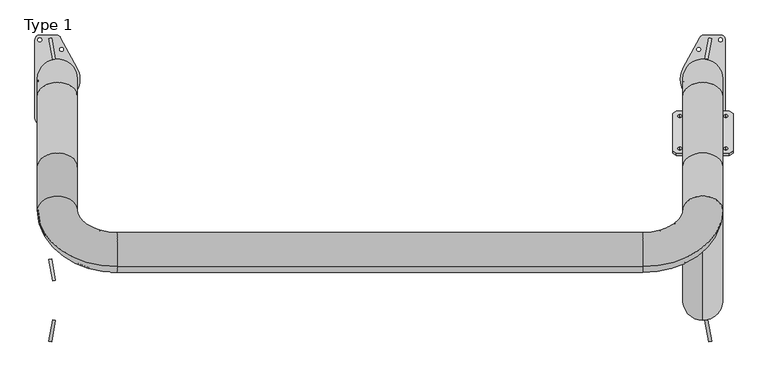
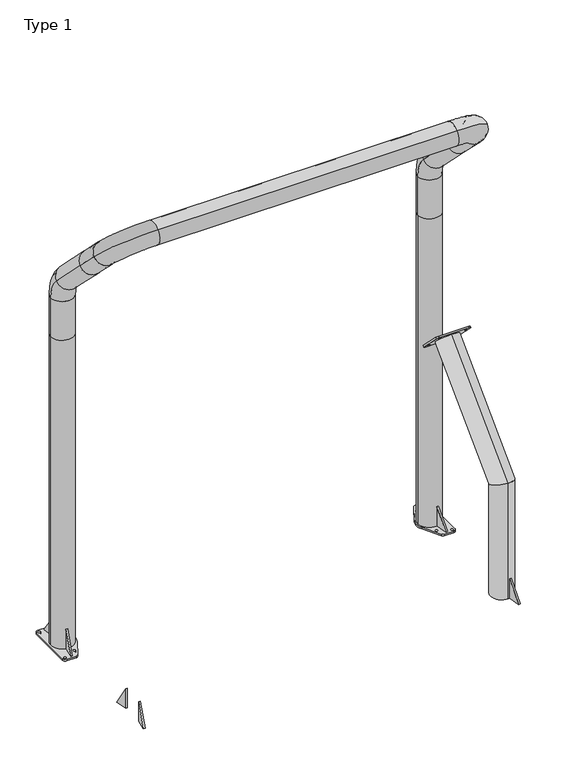
"""IFC4 building model written with IfcOpenShell, lengths in millimetres: proxy geometry, Type 1."""

from ifc_helpers import new_model, si_unit, point, frame, frame_2d, origin, origin_with_axes, place, context, project, spatial, polyline, circle_curve, ellipse_curve, trimmed, segment, composite_curve, outline, extrude, source, transform, mapped, element, save
from ifc_brep_helpers import plane_surface, cylinder_surface, revolved_surface, advanced_brep


def type_1_733e1f84(model_context):
    return source(origin(), model_context, "Body", "SolidModel", [
        advanced_brep(
        [(-82.5, -363.9466094, 3146.4466094), (-82.5, -72.4910717, 2854.9910717), (82.5, -72.4910717, 2854.9910717), (82.5, -363.9466094, 3146.4466094), (-78.5, -363.9466094, 3146.4466094), (-78.5, -72.4910717, 2854.9910717), (78.5, -72.4910717, 2854.9910717), (78.5, -363.9466094, 3146.4466094), (-82.5, 0.0, 2679.9821433), (82.5, 0.0, 2679.9821433), (-78.5, 0.0, 2679.9821433), (78.5, 0.0, 2679.9821433), (-82.5, 0.0, 2382.5), (82.5, 0.0, 2382.5), (-78.5, 0.0, 2382.5), (78.5, 0.0, 2382.5), (-82.5, -542.4910717, 3324.9910717), (82.5, -542.4910717, 3324.9910717), (-78.5, -542.4910717, 3324.9910717), (78.5, -542.4910717, 3324.9910717), (247.5, -775.8363094, 3558.3363094), (247.5, -659.1636906, 3441.6636906), (247.5, -773.0078823, 3555.5078823), (247.5, -661.9921177, 3444.4921177), (2417.5, -775.8363094, 3558.3363094), (2417.5, -659.1636906, 3441.6636906), (2417.5, -773.0078823, 3555.5078823), (2417.5, -661.9921177, 3444.4921177), (2747.5, -542.4910717, 3324.9910717), (2582.5, -542.4910717, 3324.9910717), (2743.5, -542.4910717, 3324.9910717), (2586.5, -542.4910717, 3324.9910717), (2747.5, -363.9466094, 3146.4466094), (2582.5, -363.9466094, 3146.4466094), (2743.5, -363.9466094, 3146.4466094), (2586.5, -363.9466094, 3146.4466094), (2582.5, -72.4910717, 2854.9910717), (2747.5, -72.4910717, 2854.9910717), (2586.5, -72.4910717, 2854.9910717), (2743.5, -72.4910717, 2854.9910717), (2582.5, 0.0, 2679.9821433), (2747.5, 0.0, 2679.9821433), (2586.5, 0.0, 2679.9821433), (2743.5, 0.0, 2679.9821433), (2582.5, 0.0, 2382.5), (2747.5, 0.0, 2382.5), (2586.5, 0.0, 2382.5), (2743.5, 0.0, 2382.5), (82.5, 0.0, 12.0), (-82.5, 0.0, 12.0), (78.5, 0.0, 12.0), (-78.5, 0.0, 12.0), (2747.5, 0.0, 12.0), (2582.5, 0.0, 12.0), (2743.5, 0.0, 12.0), (2586.5, 0.0, 12.0)],
        [
            (0, 1),
            (1, 2, circle_curve(frame((0.0, -72.4910717, 2854.9910717), z_axis=(0.0, -0.7071067811865481, 0.707106781186547), x_axis=(-1.0, 0.0, 0.0)), 82.5)),
            (2, 3),
            (3, 0, circle_curve(frame((0.0, -363.9466094, 3146.4466094), z_axis=(0.0, 0.7071067811865481, -0.707106781186547), x_axis=(-1.0, 0.0, 0.0)), 82.5)),
            (0, 3, circle_curve(frame((0.0, -363.9466094, 3146.4466094), z_axis=(0.0, 0.7071067811865481, -0.707106781186547), x_axis=(-1.0, 0.0, 0.0)), 82.5)),
            (2, 1, circle_curve(frame((0.0, -72.4910717, 2854.9910717), z_axis=(0.0, -0.7071067811865481, 0.707106781186547), x_axis=(-1.0, 0.0, 0.0)), 82.5)),
            (4, 5),
            (5, 6, circle_curve(frame((0.0, -72.4910717, 2854.9910717), z_axis=(0.0, 0.7071067811865481, -0.707106781186547), x_axis=(-1.0, 0.0, 0.0)), 78.5)),
            (6, 7),
            (7, 4, circle_curve(frame((0.0, -363.9466094, 3146.4466094), z_axis=(0.0, -0.7071067811865481, 0.707106781186547), x_axis=(-1.0, 0.0, 0.0)), 78.5)),
            (4, 7, circle_curve(frame((0.0, -363.9466094, 3146.4466094), z_axis=(0.0, -0.7071067811865481, 0.707106781186547), x_axis=(-1.0, 0.0, 0.0)), 78.5)),
            (6, 5, circle_curve(frame((0.0, -72.4910717, 2854.9910717), z_axis=(0.0, 0.7071067811865481, -0.707106781186547), x_axis=(-1.0, 0.0, 0.0)), 78.5)),
            (1, 8, circle_curve(frame((-82.5, -247.5, 2679.9821433), z_axis=(-1.0, 0.0, 0.0), x_axis=(0.0, 0.7071067811865424, 0.7071067811865527)), 247.5)),
            (8, 9, circle_curve(frame((0.0, 0.0, 2679.9821433), z_axis=(0.0, 0.0, 1.0), x_axis=(-1.0, 0.0, 0.0)), 82.5)),
            (9, 2, circle_curve(frame((82.5, -247.5, 2679.9821433), z_axis=(1.0, 0.0, 0.0), x_axis=(0.0, 0.7071067811865424, 0.7071067811865527)), 247.5)),
            (9, 8, circle_curve(frame((0.0, 0.0, 2679.9821433), z_axis=(0.0, 0.0, 1.0), x_axis=(-1.0, 0.0, 0.0)), 82.5)),
            (5, 10, circle_curve(frame((-78.5, -247.5, 2679.9821433), z_axis=(-1.0, 0.0, 0.0), x_axis=(0.0, 0.7071067811865424, 0.7071067811865527)), 247.5)),
            (10, 11, circle_curve(frame((0.0, 0.0, 2679.9821433), z_axis=(0.0, 0.0, -1.0), x_axis=(-1.0, 0.0, 0.0)), 78.5)),
            (11, 6, circle_curve(frame((78.5, -247.5, 2679.9821433), z_axis=(1.0, 0.0, 0.0), x_axis=(0.0, 0.7071067811865424, 0.7071067811865527)), 247.5)),
            (11, 10, circle_curve(frame((0.0, 0.0, 2679.9821433), z_axis=(0.0, 0.0, -1.0), x_axis=(-1.0, 0.0, 0.0)), 78.5)),
            (8, 12),
            (12, 13, circle_curve(frame((0.0, 0.0, 2382.5), z_axis=(0.0, 0.0, 1.0), x_axis=(-1.0, 0.0, 0.0)), 82.5)),
            (13, 9),
            (13, 12, circle_curve(frame((0.0, 0.0, 2382.5), z_axis=(0.0, 0.0, 1.0), x_axis=(-1.0, 0.0, 0.0)), 82.5)),
            (10, 14),
            (14, 15, circle_curve(frame((0.0, 0.0, 2382.5), z_axis=(0.0, 0.0, -1.0), x_axis=(-1.0, 0.0, 0.0)), 78.5)),
            (15, 11),
            (15, 14, circle_curve(frame((0.0, 0.0, 2382.5), z_axis=(0.0, 0.0, -1.0), x_axis=(-1.0, 0.0, 0.0)), 78.5)),
            (0, 16),
            (16, 17, circle_curve(frame((0.0, -542.4910717, 3324.9910717), z_axis=(0.0, 0.7071067811865572, -0.7071067811865379), x_axis=(1.0, 0.0, 0.0)), 82.5)),
            (17, 3),
            (17, 16, circle_curve(frame((0.0, -542.4910717, 3324.9910717), z_axis=(0.0, 0.7071067811865572, -0.7071067811865379), x_axis=(1.0, 0.0, 0.0)), 82.5)),
            (4, 18),
            (18, 19, circle_curve(frame((0.0, -542.4910717, 3324.9910717), z_axis=(0.0, -0.7071067811865572, 0.7071067811865379), x_axis=(1.0, 0.0, 0.0)), 78.5)),
            (19, 7),
            (19, 18, circle_curve(frame((0.0, -542.4910717, 3324.9910717), z_axis=(0.0, -0.7071067811865572, 0.7071067811865379), x_axis=(1.0, 0.0, 0.0)), 78.5)),
            (16, 20, circle_curve(frame((247.5, -542.4910717, 3324.9910717), z_axis=(0.0, 0.7071067811865379, 0.7071067811865571), x_axis=(-1.0, 0.0, 0.0)), 330.0)),
            (20, 21, circle_curve(frame((247.5, -717.5, 3500.0), z_axis=(-1.0, 0.0, 0.0), x_axis=(0.0, 0.7071067811865571, -0.7071067811865379)), 82.5)),
            (21, 17, circle_curve(frame((247.5, -542.4910717, 3324.9910717), z_axis=(0.0, -0.7071067811865379, -0.7071067811865571), x_axis=(-1.0, 0.0, 0.0)), 165.0)),
            (21, 20, circle_curve(frame((247.5, -717.5, 3500.0), z_axis=(-1.0, 0.0, 0.0), x_axis=(0.0, 0.7071067811865571, -0.7071067811865379)), 82.5)),
            (18, 22, circle_curve(frame((247.5, -542.4910717, 3324.9910717), z_axis=(0.0, 0.7071067811865379, 0.7071067811865571), x_axis=(-1.0, 0.0, 0.0)), 326.0)),
            (22, 23, circle_curve(frame((247.5, -717.5, 3500.0), z_axis=(1.0, 0.0, 0.0), x_axis=(0.0, 0.7071067811865571, -0.7071067811865379)), 78.5)),
            (23, 19, circle_curve(frame((247.5, -542.4910717, 3324.9910717), z_axis=(0.0, -0.7071067811865379, -0.7071067811865571), x_axis=(-1.0, 0.0, 0.0)), 169.0)),
            (23, 22, circle_curve(frame((247.5, -717.5, 3500.0), z_axis=(1.0, 0.0, 0.0), x_axis=(0.0, 0.7071067811865571, -0.7071067811865379)), 78.5)),
            (20, 24),
            (24, 25, circle_curve(frame((2417.5, -717.5, 3500.0), z_axis=(-1.0, 0.0, 0.0), x_axis=(0.0, 0.7071067811865571, -0.7071067811865379)), 82.5)),
            (25, 21),
            (25, 24, circle_curve(frame((2417.5, -717.5, 3500.0), z_axis=(-1.0, 0.0, 0.0), x_axis=(0.0, 0.7071067811865571, -0.7071067811865379)), 82.5)),
            (22, 26),
            (26, 27, circle_curve(frame((2417.5, -717.5, 3500.0), z_axis=(1.0, 0.0, 0.0), x_axis=(0.0, 0.7071067811865571, -0.7071067811865379)), 78.5)),
            (27, 23),
            (27, 26, circle_curve(frame((2417.5, -717.5, 3500.0), z_axis=(1.0, 0.0, 0.0), x_axis=(0.0, 0.7071067811865571, -0.7071067811865379)), 78.5)),
            (24, 28, circle_curve(frame((2417.5, -542.4910717, 3324.9910717), z_axis=(0.0, 0.7071067811865379, 0.7071067811865571), x_axis=(0.0, -0.7071067811865571, 0.7071067811865379)), 330.0)),
            (28, 29, circle_curve(frame((2665.0, -542.4910717, 3324.9910717), z_axis=(0.0, -0.707106781186557, 0.707106781186538), x_axis=(-1.0, 0.0, 0.0)), 82.5)),
            (29, 25, circle_curve(frame((2417.5, -542.4910717, 3324.9910717), z_axis=(0.0, -0.7071067811865379, -0.7071067811865571), x_axis=(0.0, -0.7071067811865571, 0.7071067811865379)), 165.0)),
            (29, 28, circle_curve(frame((2665.0, -542.4910717, 3324.9910717), z_axis=(0.0, -0.707106781186557, 0.707106781186538), x_axis=(-1.0, 0.0, 0.0)), 82.5)),
            (26, 30, circle_curve(frame((2417.5, -542.4910717, 3324.9910717), z_axis=(0.0, 0.7071067811865379, 0.7071067811865571), x_axis=(0.0, -0.7071067811865571, 0.7071067811865379)), 326.0)),
            (30, 31, circle_curve(frame((2665.0, -542.4910717, 3324.9910717), z_axis=(0.0, 0.707106781186557, -0.707106781186538), x_axis=(-1.0, 0.0, 0.0)), 78.5)),
            (31, 27, circle_curve(frame((2417.5, -542.4910717, 3324.9910717), z_axis=(0.0, -0.7071067811865379, -0.7071067811865571), x_axis=(0.0, -0.7071067811865571, 0.7071067811865379)), 169.0)),
            (31, 30, circle_curve(frame((2665.0, -542.4910717, 3324.9910717), z_axis=(0.0, 0.707106781186557, -0.707106781186538), x_axis=(-1.0, 0.0, 0.0)), 78.5)),
            (28, 32),
            (32, 33, circle_curve(frame((2665.0, -363.9466094, 3146.4466094), z_axis=(0.0, -0.707106781186557, 0.707106781186538), x_axis=(-1.0, 0.0, 0.0)), 82.5)),
            (33, 29),
            (33, 32, circle_curve(frame((2665.0, -363.9466094, 3146.4466094), z_axis=(0.0, -0.707106781186557, 0.707106781186538), x_axis=(-1.0, 0.0, 0.0)), 82.5)),
            (30, 34),
            (34, 35, circle_curve(frame((2665.0, -363.9466094, 3146.4466094), z_axis=(0.0, 0.707106781186557, -0.707106781186538), x_axis=(-1.0, 0.0, 0.0)), 78.5)),
            (35, 31),
            (35, 34, circle_curve(frame((2665.0, -363.9466094, 3146.4466094), z_axis=(0.0, 0.707106781186557, -0.707106781186538), x_axis=(-1.0, 0.0, 0.0)), 78.5)),
            (33, 36),
            (36, 37, circle_curve(frame((2665.0, -72.4910717, 2854.9910717), z_axis=(0.0, -0.7071067811865481, 0.707106781186547), x_axis=(1.0, 0.0, 0.0)), 82.5)),
            (37, 32),
            (37, 36, circle_curve(frame((2665.0, -72.4910717, 2854.9910717), z_axis=(0.0, -0.7071067811865481, 0.707106781186547), x_axis=(1.0, 0.0, 0.0)), 82.5)),
            (35, 38),
            (38, 39, circle_curve(frame((2665.0, -72.4910717, 2854.9910717), z_axis=(0.0, 0.7071067811865481, -0.707106781186547), x_axis=(1.0, 0.0, 0.0)), 78.5)),
            (39, 34),
            (39, 38, circle_curve(frame((2665.0, -72.4910717, 2854.9910717), z_axis=(0.0, 0.7071067811865481, -0.707106781186547), x_axis=(1.0, 0.0, 0.0)), 78.5)),
            (36, 40, circle_curve(frame((2582.5, -247.5, 2679.9821433), z_axis=(-1.0, 0.0, 0.0), x_axis=(0.0, 0.7071067811865424, 0.7071067811865527)), 247.5)),
            (40, 41, circle_curve(frame((2665.0, 0.0, 2679.9821433), z_axis=(0.0, 0.0, 1.0), x_axis=(1.0, 0.0, 0.0)), 82.5)),
            (41, 37, circle_curve(frame((2747.5, -247.5, 2679.9821433), z_axis=(1.0, 0.0, 0.0), x_axis=(0.0, 0.7071067811865424, 0.7071067811865527)), 247.5)),
            (41, 40, circle_curve(frame((2665.0, 0.0, 2679.9821433), z_axis=(0.0, 0.0, 1.0), x_axis=(1.0, 0.0, 0.0)), 82.5)),
            (38, 42, circle_curve(frame((2586.5, -247.5, 2679.9821433), z_axis=(-1.0, 0.0, 0.0), x_axis=(0.0, 0.7071067811865424, 0.7071067811865527)), 247.5)),
            (42, 43, circle_curve(frame((2665.0, 0.0, 2679.9821433), z_axis=(0.0, 0.0, -1.0), x_axis=(1.0, 0.0, 0.0)), 78.5)),
            (43, 39, circle_curve(frame((2743.5, -247.5, 2679.9821433), z_axis=(1.0, 0.0, 0.0), x_axis=(0.0, 0.7071067811865424, 0.7071067811865527)), 247.5)),
            (43, 42, circle_curve(frame((2665.0, 0.0, 2679.9821433), z_axis=(0.0, 0.0, -1.0), x_axis=(1.0, 0.0, 0.0)), 78.5)),
            (40, 44),
            (44, 45, circle_curve(frame((2665.0, 0.0, 2382.5), z_axis=(0.0, 0.0, 1.0), x_axis=(1.0, 0.0, 0.0)), 82.5)),
            (45, 41),
            (45, 44, circle_curve(frame((2665.0, 0.0, 2382.5), z_axis=(0.0, 0.0, 1.0), x_axis=(1.0, 0.0, 0.0)), 82.5)),
            (42, 46),
            (46, 47, circle_curve(frame((2665.0, 0.0, 2382.5), z_axis=(0.0, 0.0, -1.0), x_axis=(1.0, 0.0, 0.0)), 78.5)),
            (47, 43),
            (47, 46, circle_curve(frame((2665.0, 0.0, 2382.5), z_axis=(0.0, 0.0, -1.0), x_axis=(1.0, 0.0, 0.0)), 78.5)),
            (48, 49, circle_curve(frame((0.0, 0.0, 12.0), z_axis=(0.0, 0.0, -1.0), x_axis=(-1.0, 0.0, 0.0)), 82.5)),
            (49, 48, circle_curve(frame((0.0, 0.0, 12.0), z_axis=(0.0, 0.0, -1.0), x_axis=(-1.0, 0.0, 0.0)), 82.5)),
            (50, 51, circle_curve(frame((0.0, 0.0, 12.0), z_axis=(0.0, 0.0, 1.0), x_axis=(-1.0, 0.0, 0.0)), 78.5)),
            (51, 50, circle_curve(frame((0.0, 0.0, 12.0), z_axis=(0.0, 0.0, 1.0), x_axis=(-1.0, 0.0, 0.0)), 78.5)),
            (52, 53, circle_curve(frame((2665.0, 0.0, 12.0), z_axis=(0.0, 0.0, -1.0), x_axis=(-1.0, 0.0, 0.0)), 82.5)),
            (53, 52, circle_curve(frame((2665.0, 0.0, 12.0), z_axis=(0.0, 0.0, -1.0), x_axis=(-1.0, 0.0, 0.0)), 82.5)),
            (54, 55, circle_curve(frame((2665.0, 0.0, 12.0), z_axis=(0.0, 0.0, 1.0), x_axis=(-1.0, 0.0, 0.0)), 78.5)),
            (55, 54, circle_curve(frame((2665.0, 0.0, 12.0), z_axis=(0.0, 0.0, 1.0), x_axis=(-1.0, 0.0, 0.0)), 78.5)),
            (49, 12),
            (13, 48),
            (53, 44),
            (45, 52),
            (51, 14),
            (15, 50),
            (55, 46),
            (47, 54),
        ],
        [
            cylinder_surface(frame((0.0, -363.9466094, 3146.4466094), z_axis=(0.0, -0.7071067811865481, 0.707106781186547), x_axis=(-1.0, 0.0, 0.0)), 82.5),
            revolved_surface(polyline([(-78.5, -72.49107169999962, 2854.9910717000002), (-78.5, -363.9466094, 3146.4466094)]), (0.0, -363.9466094, 3146.4466094), (0.0, 0.7071067811865481, -0.707106781186547)),
            revolved_surface(trimmed(ellipse_curve(frame((0.0, -72.4910717, 2854.9910717), z_axis=(0.0, -0.7071067811865526, 0.7071067811865425), x_axis=(-1.0, 0.0, 0.0)), 82.5, 82.5), [point((-82.5, -72.4910717, 2854.9910717))], [point((82.5, -72.4910717, 2854.9910717))], True, "CARTESIAN"), (0.0, -247.5, 2679.9821433), (-1.0, 0.0, 0.0)),
            revolved_surface(trimmed(ellipse_curve(frame((0.0, -72.4910717, 2854.9910717), z_axis=(0.0, -0.7071067811865526, 0.7071067811865425), x_axis=(-1.0, 0.0, 0.0)), 82.5, 82.5), [point((82.5, -72.4910717, 2854.9910717))], [point((-82.5, -72.4910717, 2854.9910717))], True, "CARTESIAN"), (0.0, -247.5, 2679.9821433), (-1.0, 0.0, 0.0)),
            revolved_surface(trimmed(ellipse_curve(frame((0.0, -72.4910717, 2854.9910717), z_axis=(0.0, 0.7071067811865526, -0.7071067811865425), x_axis=(-1.0, 0.0, 0.0)), 78.5, 78.5), [point((-78.5, -72.4910717, 2854.9910717))], [point((78.5, -72.4910717, 2854.9910717))], True, "CARTESIAN"), (0.0, -247.5, 2679.9821433), (-1.0, 0.0, 0.0)),
            revolved_surface(trimmed(ellipse_curve(frame((0.0, -72.4910717, 2854.9910717), z_axis=(0.0, 0.7071067811865526, -0.7071067811865425), x_axis=(-1.0, 0.0, 0.0)), 78.5, 78.5), [point((78.5, -72.4910717, 2854.9910717))], [point((-78.5, -72.4910717, 2854.9910717))], True, "CARTESIAN"), (0.0, -247.5, 2679.9821433), (-1.0, 0.0, 0.0)),
            cylinder_surface(frame((0.0, 0.0, 2679.9821433), z_axis=(0.0, 0.0, 1.0), x_axis=(-1.0, 0.0, 0.0)), 82.5),
            revolved_surface(polyline([(-78.5, 0.0, 2382.5), (-78.5, 0.0, 2679.9821433)]), (0.0, 0.0, 2679.9821433), (0.0, 0.0, -1.0)),
            cylinder_surface(frame((0.0, -363.9466094, 3146.4466094), z_axis=(0.0, 0.7071067811865572, -0.7071067811865379), x_axis=(1.0, 0.0, 0.0)), 82.5),
            revolved_surface(polyline([(78.5, -542.4910717000024, 3324.9910716999975), (78.5, -363.94660939999926, 3146.446609399999)]), (0.0, -363.9466094, 3146.4466094), (0.0, -0.7071067811865572, 0.7071067811865379)),
            revolved_surface(trimmed(ellipse_curve(frame((0.0, -542.4910717, 3324.9910717), z_axis=(0.0, 0.7071067811865572, -0.7071067811865378), x_axis=(1.0, 0.0, 0.0)), 82.5, 82.5), [point((-82.5, -542.4910717, 3324.9910717))], [point((82.5, -542.4910717, 3324.9910717))], True, "CARTESIAN"), (247.5, -542.4910717, 3324.9910717), (0.0, 0.7071067811865379, 0.7071067811865571)),
            revolved_surface(trimmed(ellipse_curve(frame((0.0, -542.4910717, 3324.9910717), z_axis=(0.0, 0.7071067811865572, -0.7071067811865378), x_axis=(1.0, 0.0, 0.0)), 82.5, 82.5), [point((82.5, -542.4910717, 3324.9910717))], [point((-82.5, -542.4910717, 3324.9910717))], True, "CARTESIAN"), (247.5, -542.4910717, 3324.9910717), (0.0, 0.7071067811865379, 0.7071067811865571)),
            revolved_surface(trimmed(ellipse_curve(frame((0.0, -542.4910717, 3324.9910717), z_axis=(0.0, -0.7071067811865572, 0.7071067811865378), x_axis=(1.0, 0.0, 0.0)), 78.5, 78.5), [point((-78.5, -542.4910717, 3324.9910717))], [point((78.5, -542.4910717, 3324.9910717))], True, "CARTESIAN"), (247.5, -542.4910717, 3324.9910717), (0.0, 0.7071067811865379, 0.7071067811865571)),
            revolved_surface(trimmed(ellipse_curve(frame((0.0, -542.4910717, 3324.9910717), z_axis=(0.0, -0.7071067811865572, 0.7071067811865378), x_axis=(1.0, 0.0, 0.0)), 78.5, 78.5), [point((78.5, -542.4910717, 3324.9910717))], [point((-78.5, -542.4910717, 3324.9910717))], True, "CARTESIAN"), (247.5, -542.4910717, 3324.9910717), (0.0, 0.7071067811865379, 0.7071067811865571)),
            cylinder_surface(frame((247.5, -717.5, 3500.0), z_axis=(-1.0, 0.0, 0.0), x_axis=(0.0, 0.7071067811865571, -0.7071067811865379)), 82.5),
            revolved_surface(polyline([(2417.5, -661.9921176768553, 3444.4921176768567), (247.5, -661.9921176768553, 3444.4921176768567)]), (247.5, -717.5, 3500.0), (1.0, 0.0, 0.0)),
            revolved_surface(trimmed(ellipse_curve(frame((2417.5, -717.5, 3500.0), z_axis=(-1.0, 0.0, 0.0), x_axis=(0.0, 0.7071067811865571, -0.7071067811865379)), 82.5, 82.5), [point((2417.5, -775.8363094, 3558.3363094))], [point((2417.5, -659.1636906, 3441.6636906))], True, "CARTESIAN"), (2417.5, -542.4910717, 3324.9910717), (0.0, 0.7071067811865379, 0.7071067811865571)),
            revolved_surface(trimmed(ellipse_curve(frame((2417.5, -717.5, 3500.0), z_axis=(-1.0, 0.0, 0.0), x_axis=(0.0, 0.7071067811865571, -0.7071067811865379)), 82.5, 82.5), [point((2417.5, -659.1636906, 3441.6636906))], [point((2417.5, -775.8363094, 3558.3363094))], True, "CARTESIAN"), (2417.5, -542.4910717, 3324.9910717), (0.0, 0.7071067811865379, 0.7071067811865571)),
            revolved_surface(trimmed(ellipse_curve(frame((2417.5, -717.5, 3500.0), z_axis=(1.0, 0.0, 0.0), x_axis=(0.0, 0.7071067811865571, -0.7071067811865379)), 78.5, 78.5), [point((2417.5, -773.0078823, 3555.5078823))], [point((2417.5, -661.9921177, 3444.4921177))], True, "CARTESIAN"), (2417.5, -542.4910717, 3324.9910717), (0.0, 0.7071067811865379, 0.7071067811865571)),
            revolved_surface(trimmed(ellipse_curve(frame((2417.5, -717.5, 3500.0), z_axis=(1.0, 0.0, 0.0), x_axis=(0.0, 0.7071067811865571, -0.7071067811865379)), 78.5, 78.5), [point((2417.5, -661.9921177, 3444.4921177))], [point((2417.5, -773.0078823, 3555.5078823))], True, "CARTESIAN"), (2417.5, -542.4910717, 3324.9910717), (0.0, 0.7071067811865379, 0.7071067811865571)),
            cylinder_surface(frame((2665.0, -542.4910717, 3324.9910717), z_axis=(0.0, -0.707106781186557, 0.707106781186538), x_axis=(-1.0, 0.0, 0.0)), 82.5),
            revolved_surface(polyline([(2586.5, -363.94660939999767, 3146.446609400002), (2586.5, -542.4910717, 3324.9910717)]), (2665.0, -542.4910717, 3324.9910717), (0.0, 0.707106781186557, -0.707106781186538)),
            cylinder_surface(frame((2665.0, -363.9466094, 3146.4466094), z_axis=(0.0, -0.7071067811865481, 0.707106781186547), x_axis=(1.0, 0.0, 0.0)), 82.5),
            revolved_surface(polyline([(2743.5, -72.49107169999962, 2854.9910717000002), (2743.5, -363.9466094000007, 3146.446609400001)]), (2665.0, -363.9466094, 3146.4466094), (0.0, 0.7071067811865481, -0.707106781186547)),
            revolved_surface(trimmed(ellipse_curve(frame((2665.0, -72.4910717, 2854.9910717), z_axis=(0.0, -0.7071067811865526, 0.7071067811865425), x_axis=(1.0, 0.0, 0.0)), 82.5, 82.5), [point((2582.5, -72.4910717, 2854.9910717))], [point((2747.5, -72.4910717, 2854.9910717))], True, "CARTESIAN"), (2665.0, -247.5, 2679.9821433), (-1.0, 0.0, 0.0)),
            revolved_surface(trimmed(ellipse_curve(frame((2665.0, -72.4910717, 2854.9910717), z_axis=(0.0, -0.7071067811865526, 0.7071067811865425), x_axis=(1.0, 0.0, 0.0)), 82.5, 82.5), [point((2747.5, -72.4910717, 2854.9910717))], [point((2582.5, -72.4910717, 2854.9910717))], True, "CARTESIAN"), (2665.0, -247.5, 2679.9821433), (-1.0, 0.0, 0.0)),
            revolved_surface(trimmed(ellipse_curve(frame((2665.0, -72.4910717, 2854.9910717), z_axis=(0.0, 0.7071067811865526, -0.7071067811865425), x_axis=(1.0, 0.0, 0.0)), 78.5, 78.5), [point((2586.5, -72.4910717, 2854.9910717))], [point((2743.5, -72.4910717, 2854.9910717))], True, "CARTESIAN"), (2665.0, -247.5, 2679.9821433), (-1.0, 0.0, 0.0)),
            revolved_surface(trimmed(ellipse_curve(frame((2665.0, -72.4910717, 2854.9910717), z_axis=(0.0, 0.7071067811865526, -0.7071067811865425), x_axis=(1.0, 0.0, 0.0)), 78.5, 78.5), [point((2743.5, -72.4910717, 2854.9910717))], [point((2586.5, -72.4910717, 2854.9910717))], True, "CARTESIAN"), (2665.0, -247.5, 2679.9821433), (-1.0, 0.0, 0.0)),
            cylinder_surface(frame((2665.0, 0.0, 2679.9821433), z_axis=(0.0, 0.0, 1.0), x_axis=(1.0, 0.0, 0.0)), 82.5),
            revolved_surface(polyline([(2743.5, 0.0, 2382.5), (2743.5, 0.0, 2679.9821433)]), (2665.0, 0.0, 2679.9821433), (0.0, 0.0, -1.0)),
            plane_surface(frame((-82.5, 0.0, 12.0), z_axis=(0.0, 0.0, -1.0), x_axis=(0.0, 1.0, 0.0))),
            cylinder_surface(frame((0.0, 0.0, 12.0), z_axis=(0.0, 0.0, 1.0), x_axis=(-1.0, 0.0, 0.0)), 82.5),
            cylinder_surface(frame((2665.0, 0.0, 12.0), z_axis=(0.0, 0.0, 1.0), x_axis=(-1.0, 0.0, 0.0)), 82.5),
            revolved_surface(polyline([(-78.5, 0.0, 12.0), (-78.5, 0.0, 2382.5)]), (0.0, 0.0, 12.0), (0.0, 0.0, -1.0)),
            revolved_surface(polyline([(2586.5, 0.0, 12.0), (2586.5, 0.0, 2382.5)]), (2665.0, 0.0, 12.0), (0.0, 0.0, -1.0)),
        ],
        [
            (0, [[1, 2, 3, 4]]),
            (0, [[-1, 5, -3, 6]]),
            (1, [[7, 8, 9, 10]]),
            (1, [[-7, 11, -9, 12]]),
            (2, [[-2, 13, 14, 15]]),
            (3, [[-6, -15, 16, -13]]),
            (4, [[-8, 17, 18, 19]]),
            (5, [[-12, -19, 20, -17]]),
            (6, [[-14, 21, 22, 23]]),
            (6, [[-16, -23, 24, -21]]),
            (7, [[-18, 25, 26, 27]]),
            (7, [[-20, -27, 28, -25]]),
            (8, [[29, 30, 31, -5]]),
            (8, [[-29, -4, -31, 32]]),
            (9, [[33, 34, 35, -11]]),
            (9, [[-33, -10, -35, 36]]),
            (10, [[-30, 37, 38, 39]]),
            (11, [[-32, -39, 40, -37]]),
            (12, [[-34, 41, 42, 43]]),
            (13, [[-36, -43, 44, -41]]),
            (14, [[-38, 45, 46, 47]]),
            (14, [[-40, -47, 48, -45]]),
            (15, [[-42, 49, 50, 51]]),
            (15, [[-44, -51, 52, -49]]),
            (16, [[-46, 53, 54, 55]]),
            (17, [[-48, -55, 56, -53]]),
            (18, [[-50, 57, 58, 59]]),
            (19, [[-52, -59, 60, -57]]),
            (20, [[-54, 61, 62, 63]]),
            (20, [[-56, -63, 64, -61]]),
            (21, [[-58, 65, 66, 67]]),
            (21, [[-60, -67, 68, -65]]),
            (22, [[69, 70, 71, -64]]),
            (22, [[-69, -62, -71, 72]]),
            (23, [[73, 74, 75, -68]]),
            (23, [[-73, -66, -75, 76]]),
            (24, [[-70, 77, 78, 79]]),
            (25, [[-72, -79, 80, -77]]),
            (26, [[-74, 81, 82, 83]]),
            (27, [[-76, -83, 84, -81]]),
            (28, [[-78, 85, 86, 87]]),
            (28, [[-80, -87, 88, -85]]),
            (29, [[-82, 89, 90, 91]]),
            (29, [[-84, -91, 92, -89]]),
            (30, [[93, 94], [95, 96]]),
            (30, [[97, 98], [99, 100]]),
            (31, [[-94, 101, -24, 102]]),
            (31, [[-93, -102, -22, -101]]),
            (32, [[-98, 103, -88, 104]]),
            (32, [[-97, -104, -86, -103]]),
            (33, [[-96, 105, -28, 106]]),
            (33, [[-95, -106, -26, -105]]),
            (34, [[-100, 107, -92, 108]]),
            (34, [[-99, -108, -90, -107]]),
        ],
    ),
        extrude(outline(composite_curve([segment(polyline([(2669.9864553, 182.5), (2738.0, 182.5)]), True, "CONTINUOUS"), segment(trimmed(circle_curve(frame_2d((2738.0, 162.5)), 20.0), [point((2738.0, 182.5))], [point((2758.0, 162.5))], False, "CARTESIAN"), True, "CONTINUOUS"), segment(polyline([(2758.0, 162.5), (2758.0, -162.5)]), True, "CONTINUOUS"), segment(trimmed(circle_curve(frame_2d((2738.0, -162.5)), 20.0), [point((2758.0, -162.5))], [point((2738.0, -182.5))], False, "CARTESIAN"), True, "CONTINUOUS"), segment(polyline([(2738.0, -182.5), (2669.9347584, -182.5)]), True, "CONTINUOUS"), segment(trimmed(circle_curve(frame_2d((2669.9347584, -162.5)), 20.0), [point((2669.9347584, -182.5))], [point((2652.3436055, -172.0158468))], False, "CARTESIAN"), True, "CONTINUOUS"), segment(polyline([(2652.3436055, -172.0158468), (2584.6472441, -46.8712248)]), True, "CONTINUOUS"), segment(trimmed(circle_curve(frame_2d((2665.0, -0.0477839)), 93.0), [point((2584.6472441, -46.8712248))], [point((2584.6472441, 46.775657))], False, "CARTESIAN"), True, "CONTINUOUS"), segment(polyline([(2584.6472441, 46.775657), (2652.3953024, 172.0158468)]), True, "CONTINUOUS"), segment(trimmed(circle_curve(frame_2d((2669.9864553, 162.5)), 20.0), [point((2652.3953024, 172.0158468))], [point((2669.9864553, 182.5))], False, "CARTESIAN"), True, "CONTINUOUS")], self_intersect=False), holes=[composite_curve([segment(trimmed(circle_curve(frame_2d((2738.0, 162.5)), 8.0), [point((2730.0, 162.5))], [point((2746.0, 162.5))], True, "CARTESIAN"), True, "CONTINUOUS"), segment(trimmed(circle_curve(frame_2d((2738.0, 162.5)), 8.0), [point((2746.0, 162.5))], [point((2730.0, 162.5))], True, "CARTESIAN"), True, "CONTINUOUS")], self_intersect=False), composite_curve([segment(trimmed(circle_curve(frame_2d((2738.0, -162.5)), 8.0), [point((2730.0, -162.5))], [point((2746.0, -162.5))], True, "CARTESIAN"), True, "CONTINUOUS"), segment(trimmed(circle_curve(frame_2d((2738.0, -162.5)), 8.0), [point((2746.0, -162.5))], [point((2730.0, -162.5))], True, "CARTESIAN"), True, "CONTINUOUS")], self_intersect=False), composite_curve([segment(trimmed(circle_curve(frame_2d((2648.0, 123.0)), 8.0), [point((2640.0, 123.0))], [point((2656.0, 123.0))], True, "CARTESIAN"), True, "CONTINUOUS"), segment(trimmed(circle_curve(frame_2d((2648.0, 123.0)), 8.0), [point((2656.0, 123.0))], [point((2640.0, 123.0))], True, "CARTESIAN"), True, "CONTINUOUS")], self_intersect=False), composite_curve([segment(trimmed(circle_curve(frame_2d((2648.0, -123.0)), 8.0), [point((2640.0, -123.0))], [point((2656.0, -123.0))], True, "CARTESIAN"), True, "CONTINUOUS"), segment(trimmed(circle_curve(frame_2d((2648.0, -123.0)), 8.0), [point((2656.0, -123.0))], [point((2640.0, -123.0))], True, "CARTESIAN"), True, "CONTINUOUS")], self_intersect=False)]), origin_with_axes(), (0.0, 0.0, 1.0), 12.0),
        extrude(outline(composite_curve([segment(trimmed(circle_curve(frame_2d((-4.9864553, 162.5)), 20.0), [point((-4.9864553, 182.5))], [point((12.6046976, 172.0158468))], False, "CARTESIAN"), True, "CONTINUOUS"), segment(polyline([(12.6046976, 172.0158468), (80.3527559, 46.775657)]), True, "CONTINUOUS"), segment(trimmed(circle_curve(frame_2d((0.0, -0.0477839)), 93.0), [point((80.3527559, 46.775657))], [point((80.3527559, -46.8712248))], False, "CARTESIAN"), True, "CONTINUOUS"), segment(polyline([(80.3527559, -46.8712248), (12.6563945, -172.0158468)]), True, "CONTINUOUS"), segment(trimmed(circle_curve(frame_2d((-4.9347584, -162.5)), 20.0), [point((12.6563945, -172.0158468))], [point((-4.9347584, -182.5))], False, "CARTESIAN"), True, "CONTINUOUS"), segment(polyline([(-4.9347584, -182.5), (-73.0, -182.5)]), True, "CONTINUOUS"), segment(trimmed(circle_curve(frame_2d((-73.0, -162.5)), 20.0), [point((-73.0, -182.5))], [point((-93.0, -162.5))], False, "CARTESIAN"), True, "CONTINUOUS"), segment(polyline([(-93.0, -162.5), (-93.0, 162.5)]), True, "CONTINUOUS"), segment(trimmed(circle_curve(frame_2d((-73.0, 162.5)), 20.0), [point((-93.0, 162.5))], [point((-73.0, 182.5))], False, "CARTESIAN"), True, "CONTINUOUS"), segment(polyline([(-73.0, 182.5), (-4.9864553, 182.5)]), True, "CONTINUOUS")], self_intersect=False), holes=[composite_curve([segment(trimmed(circle_curve(frame_2d((17.0, 123.0)), 8.0), [point((9.0, 123.0))], [point((25.0, 123.0))], True, "CARTESIAN"), True, "CONTINUOUS"), segment(trimmed(circle_curve(frame_2d((17.0, 123.0)), 8.0), [point((25.0, 123.0))], [point((9.0, 123.0))], True, "CARTESIAN"), True, "CONTINUOUS")], self_intersect=False), composite_curve([segment(trimmed(circle_curve(frame_2d((17.0, -123.0)), 8.0), [point((9.0, -123.0))], [point((25.0, -123.0))], True, "CARTESIAN"), True, "CONTINUOUS"), segment(trimmed(circle_curve(frame_2d((17.0, -123.0)), 8.0), [point((25.0, -123.0))], [point((9.0, -123.0))], True, "CARTESIAN"), True, "CONTINUOUS")], self_intersect=False), composite_curve([segment(trimmed(circle_curve(frame_2d((-73.0, -162.5)), 8.0), [point((-81.0, -162.5))], [point((-65.0, -162.5))], True, "CARTESIAN"), True, "CONTINUOUS"), segment(trimmed(circle_curve(frame_2d((-73.0, -162.5)), 8.0), [point((-65.0, -162.5))], [point((-81.0, -162.5))], True, "CARTESIAN"), True, "CONTINUOUS")], self_intersect=False), composite_curve([segment(trimmed(circle_curve(frame_2d((-73.0, 162.5)), 8.0), [point((-81.0, 162.5))], [point((-65.0, 162.5))], True, "CARTESIAN"), True, "CONTINUOUS"), segment(trimmed(circle_curve(frame_2d((-73.0, 162.5)), 8.0), [point((-65.0, 162.5))], [point((-81.0, 162.5))], True, "CARTESIAN"), True, "CONTINUOUS")], self_intersect=False)]), origin_with_axes(), (0.0, 0.0, 1.0), 12.0),
        advanced_brep(
        [(2673.4197559, 82.0692251, 162.0), (2685.236419, 79.9796058, 162.0), (2685.2910421, 80.2893885, 162.0), (2673.473349, 82.3731666, 162.0), (2700.9193781, 168.9220863, 12.0), (2685.236419, 79.9796058, 12.0), (2673.4197559, 82.0692251, 12.0), (2689.101685, 171.0058644, 12.0)],
        [
            (0, 1, circle_curve(frame((2665.0, 0.0, 162.0), z_axis=(0.0, 0.0, -1.0), x_axis=(-1.0, 0.0, 0.0)), 82.5)),
            (1, 2),
            (2, 3),
            (3, 0),
            (4, 5),
            (5, 6, circle_curve(frame((2665.0, 0.0, 12.0), z_axis=(0.0, 0.0, 1.0), x_axis=(-1.0, 0.0, 0.0)), 82.5)),
            (6, 7),
            (7, 4),
            (6, 0),
            (3, 7),
            (5, 1),
            (4, 2),
        ],
        [
            plane_surface(frame((2700.9193781, 168.9220863, 162.0), z_axis=(0.0, 0.0, 1.0000000000000002), x_axis=(-0.9848077530122133, 0.17364817766690058, 0.0))),
            plane_surface(frame((2700.9193781, 168.9220863, 12.0), z_axis=(0.0, 0.0, -1.0000000000000002), x_axis=(0.9848077530122133, -0.17364817766690058, 0.0))),
            plane_surface(frame((2689.101685, 171.0058644, 162.0), z_axis=(-0.9848077530122075, 0.1736481776669342, 0.0), x_axis=(0.0, 0.0, -1.0))),
            revolved_surface(polyline([(2582.5, 0.0, 12.0), (2582.5, 0.0, 162.0)]), (2665.0, 0.0, 12.0), (0.0, 0.0, -1.0)),
            plane_surface(frame((2685.236419, 79.9796058, 162.0), z_axis=(0.9848077530122071, -0.17364817766693583, 0.0), x_axis=(0.0, 0.0, -1.0))),
            plane_surface(frame((2689.101685, 171.0058644, 12.0), z_axis=(0.14890208391224347, 0.8444656813948381, 0.5144957554275285), x_axis=(0.9848077530122133, -0.17364817766690058, 0.0))),
        ],
        [
            (0, [[1, 2, 3, 4]]),
            (1, [[5, 6, 7, 8]]),
            (2, [[-7, 9, -4, 10]]),
            (3, [[-1, -9, -6, 11]]),
            (4, [[-5, 12, -2, -11]]),
            (5, [[-3, -12, -8, -10]]),
        ],
    ),
        advanced_brep(
        [(2685.236419, -79.9796058, 162.0), (2673.4197559, -82.0692251, 162.0), (2673.473349, -82.3731666, 162.0), (2685.2910421, -80.2893885, 162.0), (2673.4197559, -82.0692251, 12.0), (2685.236419, -79.9796058, 12.0), (2700.9193781, -168.9220863, 12.0), (2689.101685, -171.0058644, 12.0)],
        [
            (0, 1, circle_curve(frame((2665.0, 0.0, 162.0), z_axis=(0.0, 0.0, -1.0), x_axis=(-1.0, 0.0, 0.0)), 82.5)),
            (1, 2),
            (2, 3),
            (3, 0),
            (4, 5, circle_curve(frame((2665.0, 0.0, 12.0), z_axis=(0.0, 0.0, 1.0), x_axis=(-1.0, 0.0, 0.0)), 82.5)),
            (5, 6),
            (6, 7),
            (7, 4),
            (7, 2),
            (1, 4),
            (5, 0),
            (3, 6),
        ],
        [
            plane_surface(frame((2700.9193781, 168.9220863, 162.0), z_axis=(0.0, 0.0, 1.0000000000000002), x_axis=(-0.9848077530122133, 0.17364817766690058, 0.0))),
            plane_surface(frame((2700.9193781, 168.9220863, 12.0), z_axis=(0.0, 0.0, -1.0000000000000002), x_axis=(0.9848077530122133, -0.17364817766690058, 0.0))),
            plane_surface(frame((2673.4197559, -82.0692251, 162.0), z_axis=(-0.9848077530122078, -0.17364817766693205, 0.0), x_axis=(0.0, 0.0, -1.0))),
            plane_surface(frame((2700.9193781, -168.9220863, 162.0), z_axis=(0.9848077530122088, 0.1736481776669261, 0.0), x_axis=(0.0, 0.0, -1.0))),
            revolved_surface(polyline([(2582.5, 0.0, 12.0), (2582.5, 0.0, 162.0)]), (2665.0, 0.0, 12.0), (0.0, 0.0, -1.0)),
            plane_surface(frame((2700.9193781, -168.9220863, 12.0), z_axis=(0.1489020839123185, -0.8444656813948247, 0.5144957554275288), x_axis=(-0.9848077530121979, -0.1736481776669881, 0.0))),
        ],
        [
            (0, [[1, 2, 3, 4]]),
            (1, [[5, 6, 7, 8]]),
            (2, [[-8, 9, -2, 10]]),
            (3, [[-6, 11, -4, 12]]),
            (4, [[-1, -11, -5, -10]]),
            (5, [[-3, -9, -7, -12]]),
        ],
    ),
        extrude(outline(polyline([(-1593.0072814, 0.0), (-1503.0072813, 0.0), (-1503.0072813, -150.0), (-1593.0072814, 0.0)])), frame((252.5773473, 1397.8846948, 12.0), z_axis=(-0.9848077530122081, 0.1736481776669302, 0.0), x_axis=(0.1736481776669302, 0.9848077530122081, 0.0)), (0.0, 0.0, 1.0), 12.0),
        extrude(outline(polyline([(-5508.8576415, 0.0), (-5358.8576415, 0.0), (-5508.8576415, -89.9999999), (-5508.8576415, 0.0)])), frame((-20.2348212, 80.2047506, 5520.8576415), z_axis=(0.9848077530122084, 0.17364817766692878, 0.0), x_axis=(0.0, 0.0, 1.0)), (0.0, 0.0, 1.0), 12.0),
        advanced_brep(
        [(2700.9193781, -746.0779137, 12.0), (2685.236419, -835.0203942, 12.0), (2673.4197559, -832.9307749, 12.0), (2689.101685, -743.9941356, 12.0), (2673.4197559, -832.9307749, 162.0), (2685.236419, -835.0203942, 162.0)],
        [
            (0, 1),
            (1, 2, circle_curve(frame((2665.0, -915.0, 12.0), z_axis=(0.0, 0.0, 1.0), x_axis=(-1.0, 0.0, 0.0)), 82.5)),
            (2, 3),
            (3, 0),
            (2, 4),
            (4, 3),
            (1, 5),
            (5, 4, ellipse_curve(frame((2665.0, -915.0, 298.6533011), z_axis=(0.1487642733274902, 0.8436841187310145, 0.5158161482373497), x_axis=(0.08957053415256884, 0.5079797419130403, -0.8566993061848391)), 159.9407081, 82.5)),
            (0, 5),
        ],
        [
            plane_surface(frame((2700.9193781, -746.0779137, 12.0), z_axis=(0.0, 0.0, -1.0), x_axis=(0.9848077530122147, -0.17364817766689286, 0.0))),
            plane_surface(frame((2689.101685, -743.9941356, 162.0), z_axis=(-0.9848077530122084, 0.1736481776669286, 0.0), x_axis=(0.0, 0.0, -1.0))),
            revolved_surface(polyline([(2582.5, -915.0, 12.0), (2582.5, -915.0, 435.6743947599819)]), (2665.0, -915.0, 12.0), (0.0, 0.0, -1.0)),
            plane_surface(frame((2685.236419, -835.0203942, 162.0), z_axis=(0.9848077530122081, -0.1736481776669304, 0.0), x_axis=(0.0, 0.0, -1.0))),
            plane_surface(frame((2689.101685, -743.9941356, 12.0), z_axis=(0.1487642733274902, 0.8436841187310145, 0.5158161482373497), x_axis=(0.9848077530122147, -0.17364817766689286, 0.0))),
        ],
        [
            (0, [[1, 2, 3, 4]]),
            (1, [[-3, 5, 6]]),
            (2, [[-2, 7, 8, -5]]),
            (3, [[-1, 9, -7]]),
            (4, [[-4, -6, -8, -9]]),
        ],
    ),
        advanced_brep(
        [(2689.101685, -1086.0058644, 12.0), (2673.4197559, -997.0692251, 12.0), (2685.236419, -994.9796058, 12.0), (2700.9193781, -1083.9220863, 12.0), (2685.236419, -994.9796058, 162.0), (2673.4197559, -997.0692251, 162.0)],
        [
            (0, 1),
            (1, 2, circle_curve(frame((2665.0, -915.0, 12.0), z_axis=(0.0, 0.0, 1.0), x_axis=(-1.0, 0.0, 0.0)), 82.5)),
            (2, 3),
            (3, 0),
            (2, 4),
            (4, 3),
            (1, 5),
            (5, 4, ellipse_curve(frame((2665.0, -915.0, 298.6721279), z_axis=(0.14876687274616762, -0.8436988607664627, 0.5157912852256217), x_axis=(0.0895662167359361, -0.5079552566263192, -0.8567142756399599)), 159.9484178, 82.5)),
            (0, 5),
        ],
        [
            plane_surface(frame((2700.9193781, -746.0779137, 12.0), z_axis=(0.0, 0.0, -1.0), x_axis=(0.9848077530122147, -0.17364817766689286, 0.0))),
            plane_surface(frame((2700.9193781, -1083.9220863, 162.0), z_axis=(0.9848077530122068, 0.17364817766693805, 0.0), x_axis=(0.0, 0.0, -1.0))),
            revolved_surface(polyline([(2582.5, -915.0, 12.0), (2582.5, -915.0, 435.7022207952847)]), (2665.0, -915.0, 12.0), (0.0, 0.0, -1.0)),
            plane_surface(frame((2673.4197559, -997.0692251, 162.0), z_axis=(-0.9848077530122088, -0.1736481776669263, 0.0), x_axis=(0.0, 0.0, -1.0))),
            plane_surface(frame((2700.9193781, -1083.9220863, 12.0), z_axis=(0.14876687274616762, -0.8436988607664627, 0.5157912852256217), x_axis=(-0.9848077530121992, -0.17364817766698037, 0.0))),
        ],
        [
            (0, [[1, 2, 3, 4]]),
            (1, [[-3, 5, 6]]),
            (2, [[-2, 7, 8, -5]]),
            (3, [[-1, 9, -7]]),
            (4, [[-4, -6, -8, -9]]),
        ],
    ),
        extrude(outline(polyline([(0.0, 0.0), (174.9285569, 0.0), (128.6239389, -77.1743633), (0.0, 0.0)])), frame((-8.4171281, -997.2885287, 162.0), z_axis=(-0.9848077530122079, 0.17364817766693183, 0.0), x_axis=(-0.08934125034736166, -0.5066794088369022, -0.8574929257125434)), (0.0, 0.0, 1.0), 12.0),
        extrude(outline(polyline([(-174.9285568, 1e-07), (0.0, 0.0), (-46.304618, -77.1743633), (-174.9285568, 1e-07)])), frame((-35.8631572, -746.1625517, 12.0), z_axis=(0.9848077530122085, 0.17364817766692872, 0.0), x_axis=(-0.08934125034736015, 0.506679408836903, -0.8574929257125431)), (0.0, 0.0, 1.0), 12.0),
        advanced_brep(
        [(2665.0, -832.5, 12.0), (2665.0, -997.5, 12.0), (2665.0, -836.5, 12.0), (2665.0, -993.5, 12.0), (2665.0, -832.5, 831.6547622), (2665.0, -997.5, 900.0), (2665.0, -836.5, 833.3116165), (2665.0, -993.5, 898.3431458), (2665.0, -170.1812409, 1493.9735213), (2665.0, -286.8538598, 1610.6461402), (2665.0, -173.009668, 1496.8019485), (2665.0, -284.0254326, 1607.8177131), (2555.0, -308.421007, 1649.1838503), (2775.0, -308.421007, 1649.1838503), (2790.0, -297.8144053, 1638.5772485), (2790.0, -142.2509134, 1483.0137566), (2775.0, -131.6443117, 1472.4071549), (2555.0, -131.6443117, 1472.4071549), (2540.0, -142.2509134, 1483.0137566), (2540.0, -297.8144053, 1638.5772485), (2570.0, -281.5505589, 1622.3134021), (2570.0, -292.8642674, 1633.6271106), (2570.0, -147.2002705, 1487.9631137), (2570.0, -158.513979, 1499.2768222), (2760.0, -147.2002705, 1487.9631137), (2760.0, -158.513979, 1499.2768222), (2760.0, -281.5505589, 1622.3134021), (2760.0, -292.8642674, 1633.6271106), (2555.0, -316.9062884, 1640.6985689), (2540.0, -306.2996867, 1630.0919672), (2540.0, -150.7361948, 1474.5284753), (2555.0, -140.1295931, 1463.9218736), (2775.0, -140.1295931, 1463.9218736), (2790.0, -150.7361948, 1474.5284753), (2790.0, -306.2996867, 1630.0919672), (2775.0, -316.9062884, 1640.6985689), (2570.0, -290.0358403, 1613.8281208), (2570.0, -301.3495488, 1625.1418293), (2570.0, -155.6855519, 1479.4778323), (2570.0, -166.9992604, 1490.7915408), (2760.0, -155.6855519, 1479.4778323), (2760.0, -166.9992604, 1490.7915408), (2760.0, -290.0358403, 1613.8281208), (2760.0, -301.3495488, 1625.1418293)],
        [
            (0, 1, circle_curve(frame((2665.0, -915.0, 12.0), z_axis=(0.0, 0.0, -1.0), x_axis=(0.0, -1.0, 0.0)), 82.5)),
            (1, 0, circle_curve(frame((2665.0, -915.0, 12.0), z_axis=(0.0, 0.0, -1.0), x_axis=(0.0, -1.0, 0.0)), 82.5)),
            (2, 3, circle_curve(frame((2665.0, -915.0, 12.0), z_axis=(0.0, 0.0, 1.0), x_axis=(0.0, -1.0, 0.0)), 78.5)),
            (3, 2, circle_curve(frame((2665.0, -915.0, 12.0), z_axis=(0.0, 0.0, 1.0), x_axis=(0.0, -1.0, 0.0)), 78.5)),
            (0, 4),
            (4, 5, ellipse_curve(frame((2665.0, -915.0, 865.8273811), z_axis=(0.0, -0.3826834323650909, -0.9238795325112862), x_axis=(0.0, 0.9238795325112862, -0.3826834323650914)), 89.2973565, 82.5)),
            (5, 1),
            (5, 4, ellipse_curve(frame((2665.0, -915.0, 865.8273811), z_axis=(0.0, -0.3826834323650909, -0.9238795325112862), x_axis=(0.0, 0.9238795325112862, -0.3826834323650914)), 89.2973565, 82.5)),
            (2, 6),
            (6, 7, ellipse_curve(frame((2665.0, -915.0, 865.8273811), z_axis=(0.0, 0.3826834323650909, 0.9238795325112862), x_axis=(0.0, -0.9238795325112862, 0.3826834323650914)), 84.9677877, 78.5)),
            (7, 3),
            (7, 6, ellipse_curve(frame((2665.0, -915.0, 865.8273811), z_axis=(0.0, 0.3826834323650909, 0.9238795325112862), x_axis=(0.0, -0.9238795325112862, 0.3826834323650914)), 84.9677877, 78.5)),
            (4, 8),
            (8, 9, circle_curve(frame((2665.0, -228.5175503, 1552.3098308), z_axis=(0.0, -0.7071067811865492, -0.7071067811865458), x_axis=(0.0, -0.7071067811865458, 0.7071067811865492)), 82.5)),
            (9, 5),
            (9, 8, circle_curve(frame((2665.0, -228.5175503, 1552.3098308), z_axis=(0.0, -0.7071067811865492, -0.7071067811865458), x_axis=(0.0, -0.7071067811865458, 0.7071067811865492)), 82.5)),
            (6, 10),
            (10, 11, circle_curve(frame((2665.0, -228.5175503, 1552.3098308), z_axis=(0.0, 0.7071067811865492, 0.7071067811865458), x_axis=(0.0, -0.7071067811865458, 0.7071067811865492)), 78.5)),
            (11, 7),
            (11, 10, circle_curve(frame((2665.0, -228.5175503, 1552.3098308), z_axis=(0.0, 0.7071067811865492, 0.7071067811865458), x_axis=(0.0, -0.7071067811865458, 0.7071067811865492)), 78.5)),
            (12, 13),
            (13, 14),
            (14, 15),
            (15, 16),
            (16, 17),
            (17, 18),
            (18, 19),
            (19, 12),
            (20, 21, circle_curve(frame((2570.0, -287.2074132, 1627.9702564), z_axis=(0.0, -0.7071067811865492, -0.7071067811865458), x_axis=(1.0, 0.0, 0.0)), 8.0)),
            (21, 20, circle_curve(frame((2570.0, -287.2074132, 1627.9702564), z_axis=(0.0, -0.7071067811865492, -0.7071067811865458), x_axis=(1.0, 0.0, 0.0)), 8.0)),
            (22, 23, circle_curve(frame((2570.0, -152.8571247, 1493.619968), z_axis=(0.0, -0.7071067811865492, -0.7071067811865458), x_axis=(1.0, 0.0, 0.0)), 8.0)),
            (23, 22, circle_curve(frame((2570.0, -152.8571247, 1493.619968), z_axis=(0.0, -0.7071067811865492, -0.7071067811865458), x_axis=(1.0, 0.0, 0.0)), 8.0)),
            (24, 25, circle_curve(frame((2760.0, -152.8571247, 1493.619968), z_axis=(0.0, -0.7071067811865492, -0.7071067811865458), x_axis=(1.0, 0.0, 0.0)), 8.0)),
            (25, 24, circle_curve(frame((2760.0, -152.8571247, 1493.619968), z_axis=(0.0, -0.7071067811865492, -0.7071067811865458), x_axis=(1.0, 0.0, 0.0)), 8.0)),
            (26, 27, circle_curve(frame((2760.0, -287.2074132, 1627.9702564), z_axis=(0.0, -0.7071067811865492, -0.7071067811865458), x_axis=(1.0, 0.0, 0.0)), 8.0)),
            (27, 26, circle_curve(frame((2760.0, -287.2074132, 1627.9702564), z_axis=(0.0, -0.7071067811865492, -0.7071067811865458), x_axis=(1.0, 0.0, 0.0)), 8.0)),
            (28, 29),
            (29, 30),
            (30, 31),
            (31, 32),
            (32, 33),
            (33, 34),
            (34, 35),
            (35, 28),
            (36, 37, circle_curve(frame((2570.0, -295.6926945, 1619.484975), z_axis=(0.0, 0.7071067811865492, 0.7071067811865458), x_axis=(1.0, 0.0, 0.0)), 8.0)),
            (37, 36, circle_curve(frame((2570.0, -295.6926945, 1619.484975), z_axis=(0.0, 0.7071067811865492, 0.7071067811865458), x_axis=(1.0, 0.0, 0.0)), 8.0)),
            (38, 39, circle_curve(frame((2570.0, -161.3424061, 1485.1346866), z_axis=(0.0, 0.7071067811865492, 0.7071067811865458), x_axis=(1.0, 0.0, 0.0)), 8.0)),
            (39, 38, circle_curve(frame((2570.0, -161.3424061, 1485.1346866), z_axis=(0.0, 0.7071067811865492, 0.7071067811865458), x_axis=(1.0, 0.0, 0.0)), 8.0)),
            (40, 41, circle_curve(frame((2760.0, -161.3424061, 1485.1346866), z_axis=(0.0, 0.7071067811865492, 0.7071067811865458), x_axis=(1.0, 0.0, 0.0)), 8.0)),
            (41, 40, circle_curve(frame((2760.0, -161.3424061, 1485.1346866), z_axis=(0.0, 0.7071067811865492, 0.7071067811865458), x_axis=(1.0, 0.0, 0.0)), 8.0)),
            (42, 43, circle_curve(frame((2760.0, -295.6926945, 1619.484975), z_axis=(0.0, 0.7071067811865492, 0.7071067811865458), x_axis=(1.0, 0.0, 0.0)), 8.0)),
            (43, 42, circle_curve(frame((2760.0, -295.6926945, 1619.484975), z_axis=(0.0, 0.7071067811865492, 0.7071067811865458), x_axis=(1.0, 0.0, 0.0)), 8.0)),
            (12, 28),
            (35, 13),
            (34, 14),
            (33, 15),
            (32, 16),
            (31, 17),
            (30, 18),
            (29, 19),
            (20, 36),
            (37, 21),
            (22, 38),
            (39, 23),
            (24, 40),
            (41, 25),
            (26, 42),
            (43, 27),
        ],
        [
            plane_surface(frame((2665.0, -915.0, 12.0), z_axis=(0.0, 0.0, -1.0), x_axis=(1.0, 0.0, 0.0))),
            cylinder_surface(frame((2665.0, -915.0, 12.0), z_axis=(0.0, 0.0, -1.0), x_axis=(0.0, -1.0, 0.0)), 82.5),
            revolved_surface(polyline([(2665.0, -993.5, 898.3431458), (2665.0, -993.5, 12.0)]), (2665.0, -915.0, 12.0), (0.0, 0.0, 1.0)),
            cylinder_surface(frame((2665.0, -915.0, 865.8273811), z_axis=(0.0, -0.7071067811865492, -0.7071067811865458), x_axis=(0.0, -0.7071067811865458, 0.7071067811865492)), 82.5),
            revolved_surface(polyline([(2665.0, -284.025432623142, 1607.8177131231425), (2665.0, -993.499999993789, 898.3431457524991)]), (2665.0, -915.0, 865.8273811), (0.0, 0.7071067811865492, 0.7071067811865458)),
            plane_surface(frame((2775.0, -308.421007, 1649.1838503), z_axis=(0.0, 0.7071067811865492, 0.7071067811865458), x_axis=(1.0, 0.0, 0.0))),
            plane_surface(frame((2775.0, -316.9062884, 1640.6985689), z_axis=(0.0, -0.7071067811865492, -0.7071067811865458), x_axis=(-1.0, 0.0, 0.0))),
            plane_surface(frame((2555.0, -308.421007, 1649.1838503), z_axis=(0.0, -0.7071067811865476, 0.7071067811865476), x_axis=(0.0, -0.7071067811865476, -0.7071067811865476))),
            plane_surface(frame((2775.0, -308.421007, 1649.1838503), z_axis=(0.7071067811865673, -0.4999999999999862, 0.4999999999999862), x_axis=(0.0, -0.7071067811865476, -0.7071067811865476))),
            plane_surface(frame((2790.0, -297.8144053, 1638.5772485), z_axis=(1.0, 0.0, 0.0), x_axis=(0.0, -0.7071067811865489, -0.7071067811865461))),
            plane_surface(frame((2790.0, -142.2509134, 1483.0137566), z_axis=(0.70710678118656, 0.4999999999999913, -0.4999999999999913), x_axis=(0.0, -0.7071067811865476, -0.7071067811865476))),
            plane_surface(frame((2775.0, -131.6443117, 1472.4071549), z_axis=(0.0, 0.7071067811865476, -0.7071067811865476), x_axis=(0.0, -0.7071067811865476, -0.7071067811865476))),
            plane_surface(frame((2555.0, -131.6443117, 1472.4071549), z_axis=(-0.7071067811865426, 0.5000000000000036, -0.5000000000000036), x_axis=(0.0, -0.7071067811865476, -0.7071067811865476))),
            plane_surface(frame((2540.0, -142.2509134, 1483.0137566), z_axis=(-1.0, 0.0, 0.0), x_axis=(0.0, -0.7071067811865489, -0.7071067811865461))),
            plane_surface(frame((2540.0, -297.8144053, 1638.5772485), z_axis=(-0.7071067811865583, -0.49999999999999145, 0.4999999999999934), x_axis=(0.0, -0.7071067811865489, -0.7071067811865461))),
            revolved_surface(polyline([(2578.0, -295.6926945000001, 1619.484975), (2578.0, -287.20741315, 1627.97025635)]), (2570.0, -295.6926945, 1619.484975), (0.0, -0.7071067811865492, -0.7071067811865458)),
            revolved_surface(polyline([(2578.0, -161.34240615000002, 1485.13468655), (2578.0, -152.85712469999996, 1493.619968)]), (2570.0, -161.3424061, 1485.1346866), (0.0, -0.7071067811865492, -0.7071067811865458)),
            revolved_surface(polyline([(2768.0, -161.34240615000002, 1485.13468655), (2768.0, -152.85712469999996, 1493.619968)]), (2760.0, -161.3424061, 1485.1346866), (0.0, -0.7071067811865492, -0.7071067811865458)),
            revolved_surface(polyline([(2768.0, -295.6926945000001, 1619.484975), (2768.0, -287.20741315, 1627.97025635)]), (2760.0, -295.6926945, 1619.484975), (0.0, -0.7071067811865492, -0.7071067811865458)),
        ],
        [
            (0, [[1, 2], [3, 4]]),
            (1, [[-1, 5, 6, 7]]),
            (1, [[-2, -7, 8, -5]]),
            (2, [[-3, 9, 10, 11]]),
            (2, [[-4, -11, 12, -9]]),
            (3, [[-6, 13, 14, 15]]),
            (3, [[-8, -15, 16, -13]]),
            (4, [[-10, 17, 18, 19]]),
            (4, [[-12, -19, 20, -17]]),
            (5, [[21, 22, 23, 24, 25, 26, 27, 28], [29, 30], [31, 32], [33, 34], [35, 36]]),
            (6, [[-18, -20]]),
            (6, [[37, 38, 39, 40, 41, 42, 43, 44], [-14, -16], [45, 46], [47, 48], [49, 50], [51, 52]]),
            (7, [[-21, 53, -44, 54]]),
            (8, [[-22, -54, -43, 55]]),
            (9, [[-23, -55, -42, 56]]),
            (10, [[-24, -56, -41, 57]]),
            (11, [[-25, -57, -40, 58]]),
            (12, [[-26, -58, -39, 59]]),
            (13, [[-27, -59, -38, 60]]),
            (14, [[-28, -60, -37, -53]]),
            (15, [[-29, 61, -46, 62]]),
            (15, [[-30, -62, -45, -61]]),
            (16, [[-31, 63, -48, 64]]),
            (16, [[-32, -64, -47, -63]]),
            (17, [[-33, 65, -50, 66]]),
            (17, [[-34, -66, -49, -65]]),
            (18, [[-35, 67, -52, 68]]),
            (18, [[-36, -68, -51, -67]]),
        ],
    ),
    ])


if __name__ == "__main__":
    model = new_model("IFC4")
    model_context = context("Model", 3, world=origin())
    ifc_project = project(units=[si_unit("LENGTHUNIT", "METRE", prefix="MILLI")], contexts=[model_context])
    site = spatial("IfcSite", under=ifc_project)
    building = spatial("IfcBuilding", under=site)
    placement = place(None, origin())
    type_1_shape = type_1_733e1f84(model_context)
    element("IfcBuildingElementProxy", 1, Name="Type 1", ObjectType="Type 1", at=placement, inside=building, context=model_context, shape_type="MappedRepresentation", body=[
        mapped(type_1_shape, transform((0.0, 0.0, 0.0), x_axis=(1.0, 0.0, 0.0), y_axis=(0.0, 1.0, 0.0), z_axis=(0.0, 0.0, 1.0))),
    ])
    save(model, "model.ifc")
